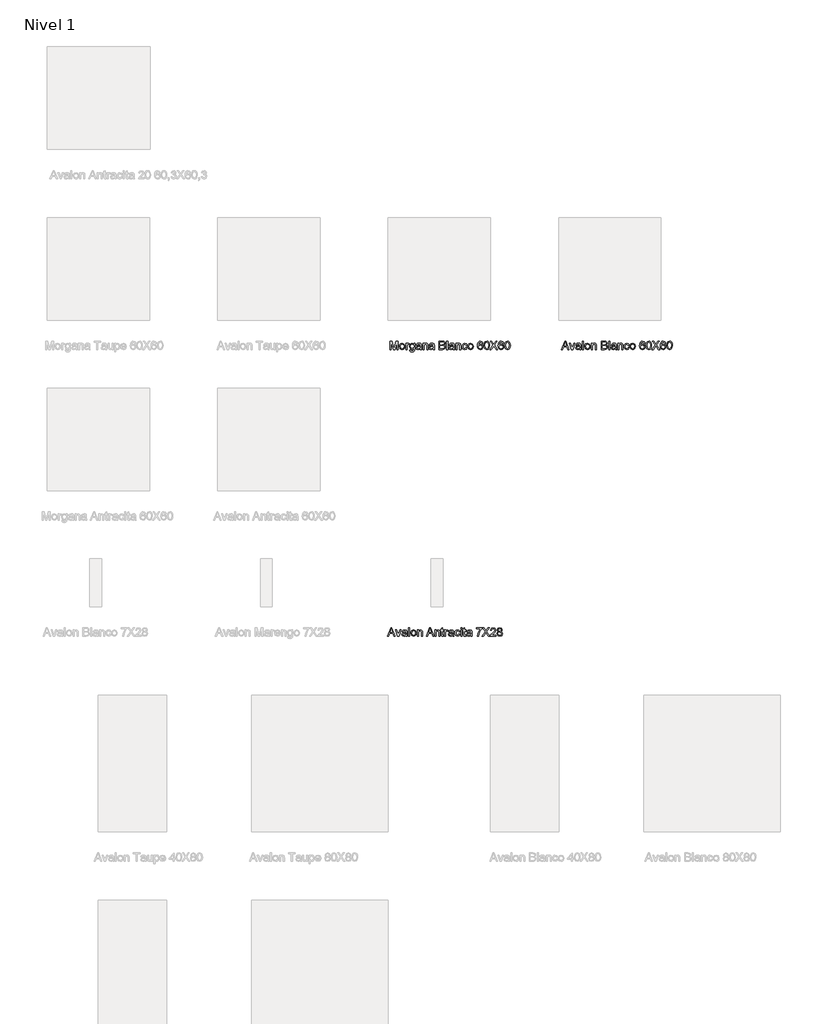
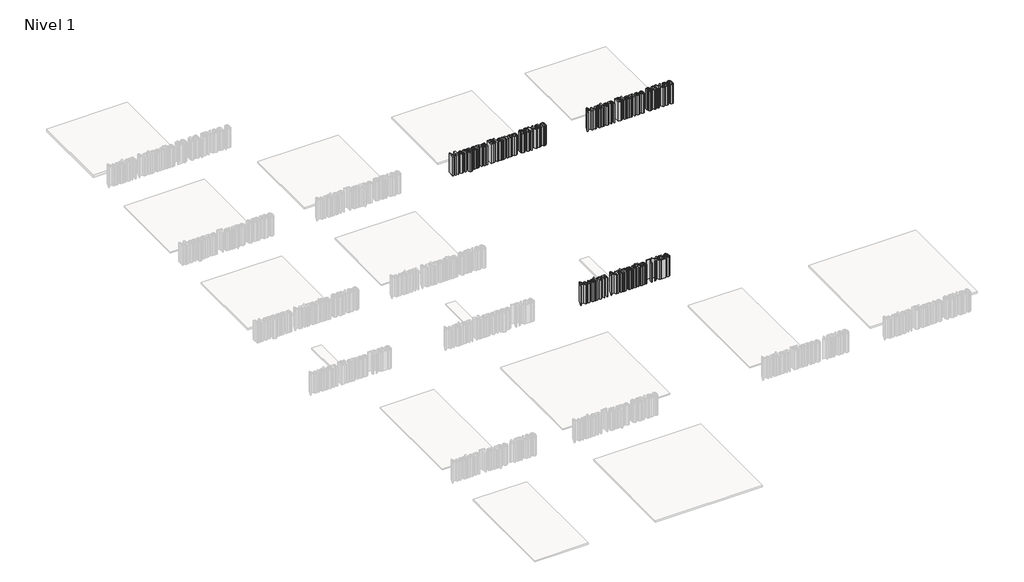
# One storey, part 11 of 11: 3 proxies.
"""IFC4 building model written with IfcOpenShell, lengths in millimetres."""

from ifc_helpers import new_model, si_unit, origin, origin_with_axes, place, context, project, spatial, polyline, outline, extrude, element, save

model = new_model("IFC4")

# Units and contexts
model_context = context("Model", 3, world=origin())
ifc_project = project(units=[si_unit("LENGTHUNIT", "METRE", prefix="MILLI")], contexts=[model_context])

# Site, building, storey
site = spatial("IfcSite", under=ifc_project)
building = spatial("IfcBuilding", under=site)
storey = spatial("IfcBuildingStorey", under=building, Name="Nivel 1", Elevation=0.0)

# Proxies
placement = place(None, origin())
element("IfcBuildingElementProxy", 1, Name="Texto de modelo 1", ObjectType="Texto de modelo 1", at=placement, inside=storey, context=model_context, shape_type="SweptSolid", body=[
    extrude(outline(polyline([(4011.5673496, -1172.9229512), (4011.5673496, -1123.692182), (4022.156292, -1123.692182), (4032.2284073, -1158.3917012), (4034.2596573, -1165.6392974), (4036.4591766, -1157.7907397), (4046.3630227, -1123.692182), (4056.951965, -1123.692182), (4056.951965, -1172.9229512), (4050.7981189, -1172.9229512), (4050.7981189, -1129.8460282), (4038.4303304, -1172.9229512), (4030.0889843, -1172.9229512), (4017.7211958, -1129.8460282), (4017.7211958, -1172.9229512), (4011.5673496, -1172.9229512)])), origin_with_axes(), (0.0, 0.0, 1.0), 150.0),
    extrude(outline(polyline([(4065.4135035, -1154.8460282), (4066.7446333, -1146.1290811), (4070.7380227, -1140.0022782), (4081.5793689, -1135.9998743), (4093.2079746, -1140.8736724), (4097.7211958, -1154.3412205), (4095.7260035, -1165.2907397), (4089.9147054, -1171.4866532), (4081.5793689, -1173.692182), (4069.8786477, -1168.8364128), (4065.4135035, -1154.8460282)]), holes=[polyline([(4071.5673496, -1154.8340089), (4074.4159073, -1164.3712686), (4081.5793689, -1167.5383359), (4088.718792, -1164.3532397), (4091.5673496, -1154.6417012), (4088.7007631, -1145.3207878), (4081.5793689, -1142.1537205), (4074.4159073, -1145.3087686), (4071.5673496, -1154.8340089)])]), origin_with_axes(), (0.0, 0.0, 1.0), 150.0),
    extrude(outline(polyline([(4104.6442727, -1172.9229512), (4104.6442727, -1136.7691051), (4110.0288881, -1136.7691051), (4110.0288881, -1142.1176628), (4113.8510035, -1137.1897782), (4117.6971573, -1135.9998743), (4123.875042, -1137.8989128), (4121.8197535, -1143.4157397), (4117.4928304, -1142.1537205), (4114.0132631, -1143.3676628), (4111.795715, -1146.7330474), (4110.7981189, -1153.9205474), (4110.7981189, -1172.9229512), (4104.6442727, -1172.9229512)])), origin_with_axes(), (0.0, 0.0, 1.0), 150.0),
    extrude(outline(polyline([(4126.1827343, -1175.9998743), (4132.3365804, -1176.7691051), (4134.3317727, -1180.0142974), (4140.3053304, -1181.3844897), (4146.6034073, -1179.8340089), (4149.608215, -1175.4830474), (4150.0288881, -1168.3075666), (4140.4135035, -1172.9229512), (4129.3377823, -1167.5503551), (4125.4135035, -1154.6657397), (4127.1743208, -1145.1284801), (4132.2704746, -1138.379682), (4140.1130227, -1135.9998743), (4150.0288881, -1141.3844897), (4150.0288881, -1136.7691051), (4156.1827343, -1136.7691051), (4156.1827343, -1167.9830474), (4154.500042, -1179.9361724), (4149.1695131, -1185.4950666), (4140.1851381, -1187.5383359), (4129.9507631, -1184.6597301), (4126.1827343, -1175.9998743)]), holes=[polyline([(4131.5673496, -1154.2450666), (4134.1935516, -1163.770307), (4140.7860996, -1166.7691051), (4147.3666285, -1163.7883359), (4150.0288881, -1154.4253551), (4147.2885035, -1145.2486724), (4140.6899458, -1142.1537205), (4134.2296093, -1145.2005955), (4131.5673496, -1154.2450666)])]), origin_with_axes(), (0.0, 0.0, 1.0), 150.0),
    extrude(outline(polyline([(4188.4904266, -1168.3075666), (4182.5228785, -1172.4782397), (4175.9303304, -1173.692182), (4166.9940323, -1170.7715089), (4163.875042, -1163.3075666), (4165.0529266, -1158.4397782), (4168.1478785, -1154.9061243), (4172.4567727, -1152.8868936), (4177.781292, -1151.9614128), (4188.4543689, -1149.8460282), (4186.795715, -1143.9325666), (4179.9928304, -1142.1537205), (4173.7668689, -1143.3376147), (4170.7981189, -1147.5383359), (4164.6442727, -1146.7691051), (4167.3065323, -1140.7594897), (4172.6671093, -1137.2378551), (4180.7860996, -1135.9998743), (4188.2440323, -1137.0936243), (4192.4567727, -1139.8400186), (4194.343792, -1144.0167012), (4194.6442727, -1149.4013166), (4194.6442727, -1157.0575666), (4194.9567727, -1167.7486724), (4196.1827343, -1172.9229512), (4190.0288881, -1172.9229512), (4188.4904266, -1168.3075666)]), holes=[polyline([(4188.4904266, -1155.9998743), (4178.562542, -1157.8868936), (4173.2680708, -1158.8844897), (4170.8702343, -1160.5070859), (4170.0288881, -1162.8748743), (4171.8618208, -1166.2042012), (4177.2404266, -1167.5383359), (4183.4663881, -1166.0659801), (4187.4808112, -1162.5022782), (4188.4543689, -1157.7426628), (4188.4904266, -1155.9998743)])]), origin_with_axes(), (0.0, 0.0, 1.0), 150.0),
    extrude(outline(polyline([(4203.1058112, -1172.9229512), (4203.1058112, -1136.7691051), (4209.2596573, -1136.7691051), (4209.2596573, -1141.817182), (4213.9651862, -1137.4542012), (4220.389465, -1135.9998743), (4226.2007631, -1137.1717493), (4230.1671093, -1140.2486724), (4232.0120612, -1144.7739128), (4232.3365804, -1150.723432), (4232.3365804, -1172.9229512), (4226.1827343, -1172.9229512), (4226.1827343, -1151.5527589), (4225.4735996, -1146.1080474), (4222.96759, -1143.2294416), (4218.7428304, -1142.1537205), (4212.0661477, -1144.5695859), (4209.2596573, -1153.7402589), (4209.2596573, -1172.9229512), (4203.1058112, -1172.9229512)])), origin_with_axes(), (0.0, 0.0, 1.0), 150.0),
    extrude(outline(polyline([(4263.875042, -1168.3075666), (4257.9074939, -1172.4782397), (4251.3149458, -1173.692182), (4242.3786477, -1170.7715089), (4239.2596573, -1163.3075666), (4240.437542, -1158.4397782), (4243.5324939, -1154.9061243), (4247.8413881, -1152.8868936), (4253.1659073, -1151.9614128), (4263.8389843, -1149.8460282), (4262.1803304, -1143.9325666), (4255.3774458, -1142.1537205), (4249.1514843, -1143.3376147), (4246.1827343, -1147.5383359), (4240.0288881, -1146.7691051), (4242.6911477, -1140.7594897), (4248.0517246, -1137.2378551), (4256.170715, -1135.9998743), (4263.6286477, -1137.0936243), (4267.8413881, -1139.8400186), (4269.7284073, -1144.0167012), (4270.0288881, -1149.4013166), (4270.0288881, -1157.0575666), (4270.3413881, -1167.7486724), (4271.5673496, -1172.9229512), (4265.4135035, -1172.9229512), (4263.875042, -1168.3075666)]), holes=[polyline([(4263.875042, -1155.9998743), (4253.9471573, -1157.8868936), (4248.6526862, -1158.8844897), (4246.2548496, -1160.5070859), (4245.4135035, -1162.8748743), (4247.2464362, -1166.2042012), (4252.625042, -1167.5383359), (4258.8510035, -1166.0659801), (4262.8654266, -1162.5022782), (4263.8389843, -1157.7426628), (4263.875042, -1155.9998743)])]), origin_with_axes(), (0.0, 0.0, 1.0), 150.0),
    extrude(outline(polyline([(4298.4904266, -1172.9229512), (4298.4904266, -1123.692182), (4317.2764843, -1123.692182), (4326.4772054, -1125.1404993), (4331.9098977, -1129.5936243), (4333.875042, -1135.8917012), (4332.2223977, -1141.6429032), (4327.2284073, -1145.9998743), (4333.2921093, -1150.5912205), (4335.4135035, -1158.2474705), (4333.9651862, -1164.864057), (4330.3774458, -1169.5755955), (4325.0228785, -1172.0755955), (4317.1322535, -1172.9229512), (4298.4904266, -1172.9229512)]), holes=[polyline([(4304.6442727, -1143.692182), (4315.8822535, -1143.692182), (4322.4447535, -1143.1633359), (4326.3930708, -1140.8856916), (4327.7211958, -1136.8772782), (4326.483215, -1132.8628551), (4322.937542, -1130.489057), (4315.0288881, -1129.8460282), (4304.6442727, -1129.8460282), (4304.6442727, -1143.692182)]), polyline([(4304.6442727, -1166.7691051), (4317.264465, -1166.7691051), (4321.8317727, -1166.5287205), (4325.6959554, -1165.1885762), (4328.2560516, -1162.4542012), (4329.2596573, -1158.3075666), (4328.0817727, -1153.5239128), (4324.265667, -1150.6693455), (4316.6635035, -1149.8460282), (4304.6442727, -1149.8460282), (4304.6442727, -1166.7691051)])]), origin_with_axes(), (0.0, 0.0, 1.0), 150.0),
    extrude(outline(polyline([(4343.1058112, -1172.9229512), (4343.1058112, -1123.692182), (4349.2596573, -1123.692182), (4349.2596573, -1172.9229512), (4343.1058112, -1172.9229512)])), origin_with_axes(), (0.0, 0.0, 1.0), 150.0),
    extrude(outline(polyline([(4381.5673496, -1168.3075666), (4375.5998016, -1172.4782397), (4369.0072535, -1173.692182), (4360.0709554, -1170.7715089), (4356.951965, -1163.3075666), (4358.1298496, -1158.4397782), (4361.2248016, -1154.9061243), (4365.5336958, -1152.8868936), (4370.858215, -1151.9614128), (4381.531292, -1149.8460282), (4379.8726381, -1143.9325666), (4373.0697535, -1142.1537205), (4366.843792, -1143.3376147), (4363.875042, -1147.5383359), (4357.7211958, -1146.7691051), (4360.3834554, -1140.7594897), (4365.7440323, -1137.2378551), (4373.8630227, -1135.9998743), (4381.3209554, -1137.0936243), (4385.5336958, -1139.8400186), (4387.420715, -1144.0167012), (4387.7211958, -1149.4013166), (4387.7211958, -1157.0575666), (4388.0336958, -1167.7486724), (4389.2596573, -1172.9229512), (4383.1058112, -1172.9229512), (4381.5673496, -1168.3075666)]), holes=[polyline([(4381.5673496, -1155.9998743), (4371.639465, -1157.8868936), (4366.3449939, -1158.8844897), (4363.9471573, -1160.5070859), (4363.1058112, -1162.8748743), (4364.9387439, -1166.2042012), (4370.3173496, -1167.5383359), (4376.5433112, -1166.0659801), (4380.5577343, -1162.5022782), (4381.531292, -1157.7426628), (4381.5673496, -1155.9998743)])]), origin_with_axes(), (0.0, 0.0, 1.0), 150.0),
    extrude(outline(polyline([(4396.1827343, -1172.9229512), (4396.1827343, -1136.7691051), (4402.3365804, -1136.7691051), (4402.3365804, -1141.817182), (4407.0421093, -1137.4542012), (4413.4663881, -1135.9998743), (4419.2776862, -1137.1717493), (4423.2440323, -1140.2486724), (4425.0889843, -1144.7739128), (4425.4135035, -1150.723432), (4425.4135035, -1172.9229512), (4419.2596573, -1172.9229512), (4419.2596573, -1151.5527589), (4418.5505227, -1146.1080474), (4416.0445131, -1143.2294416), (4411.8197535, -1142.1537205), (4405.1430708, -1144.5695859), (4402.3365804, -1153.7402589), (4402.3365804, -1172.9229512), (4396.1827343, -1172.9229512)])), origin_with_axes(), (0.0, 0.0, 1.0), 150.0),
    extrude(outline(polyline([(4456.951965, -1159.8460282), (4463.1058112, -1160.6152589), (4458.1659073, -1170.2246339), (4448.406292, -1173.692182), (4436.7416285, -1168.8544416), (4432.3365804, -1154.9782397), (4434.21759, -1144.7558839), (4439.9507631, -1138.1873743), (4448.3221573, -1135.9998743), (4457.6791285, -1139.004682), (4462.3365804, -1147.5383359), (4456.1827343, -1148.3075666), (4453.328167, -1143.6981916), (4448.3702343, -1142.1537205), (4441.2368208, -1145.1945859), (4438.4904266, -1154.8099705), (4441.1767246, -1164.5154993), (4448.201965, -1167.5383359), (4454.0012439, -1165.6513166), (4456.951965, -1159.8460282)])), origin_with_axes(), (0.0, 0.0, 1.0), 150.0),
    extrude(outline(polyline([(4466.951965, -1154.8460282), (4468.2830948, -1146.1290811), (4472.2764843, -1140.0022782), (4483.1178304, -1135.9998743), (4494.7464362, -1140.8736724), (4499.2596573, -1154.3412205), (4497.264465, -1165.2907397), (4491.453167, -1171.4866532), (4483.1178304, -1173.692182), (4471.4171093, -1168.8364128), (4466.951965, -1154.8460282)]), holes=[polyline([(4473.1058112, -1154.8340089), (4475.9543689, -1164.3712686), (4483.1178304, -1167.5383359), (4490.2572535, -1164.3532397), (4493.1058112, -1154.6417012), (4490.2392246, -1145.3207878), (4483.1178304, -1142.1537205), (4475.9543689, -1145.3087686), (4473.1058112, -1154.8340089)])]), origin_with_axes(), (0.0, 0.0, 1.0), 150.0),
    extrude(outline(polyline([(4555.4135035, -1136.7691051), (4549.2596573, -1137.5383359), (4546.9279266, -1132.4061243), (4540.7620612, -1129.8460282), (4535.2091766, -1131.3364128), (4531.0084554, -1136.9313647), (4529.2596573, -1147.8989128), (4534.68634, -1142.989057), (4541.4110996, -1141.3844897), (4551.8678304, -1145.7715089), (4556.1827343, -1157.1056436), (4554.1514843, -1165.5972301), (4548.562542, -1171.6068455), (4540.4976381, -1173.692182), (4527.9555708, -1168.1633359), (4524.3182511, -1160.8436243), (4523.1058112, -1149.942182), (4524.451965, -1137.6855714), (4528.4904266, -1129.3051628), (4534.0042487, -1125.0954272), (4541.1466766, -1123.692182), (4550.8702343, -1127.1657397), (4555.4135035, -1136.7691051)]), holes=[polyline([(4529.2596573, -1157.0094897), (4530.6839362, -1162.3400186), (4534.4699939, -1166.2102109), (4540.0168689, -1167.5383359), (4547.2704746, -1164.785932), (4550.0288881, -1157.3099705), (4547.3065323, -1150.1525186), (4539.764465, -1147.5383359), (4532.3185516, -1150.1525186), (4529.2596573, -1157.0094897)])]), origin_with_axes(), (0.0, 0.0, 1.0), 150.0),
    extrude(outline(polyline([(4561.5673496, -1148.7042012), (4563.3762439, -1134.5395378), (4568.74884, -1126.3724705), (4577.7211958, -1123.692182), (4584.9086958, -1125.2787205), (4589.8726381, -1129.8520378), (4592.7572535, -1137.1356916), (4593.875042, -1148.7042012), (4592.0841766, -1162.8087686), (4586.7296093, -1170.9938647), (4577.7211958, -1173.692182), (4566.4711958, -1169.004682), (4562.7933112, -1160.6783599), (4561.5673496, -1148.7042012)]), holes=[polyline([(4567.7211958, -1148.692182), (4570.6058112, -1163.9746339), (4577.7211958, -1167.5383359), (4584.8365804, -1163.9626147), (4587.7211958, -1148.692182), (4584.9327343, -1133.5840089), (4577.6490804, -1129.8460282), (4570.701965, -1133.1392974), (4567.7211958, -1148.692182)])]), origin_with_axes(), (0.0, 0.0, 1.0), 150.0),
    extrude(outline(polyline([(4596.1827343, -1172.9229512), (4615.1610996, -1146.0960282), (4599.2596573, -1123.692182), (4606.639465, -1123.692182), (4615.593792, -1136.3003551), (4618.6106189, -1141.2162205), (4622.1442727, -1136.2162205), (4631.0024458, -1123.692182), (4638.4904266, -1123.692182), (4622.5889843, -1146.1681436), (4641.5673496, -1172.9229512), (4634.187542, -1172.9229512), (4621.5433112, -1155.0864128), (4618.9110996, -1151.3844897), (4616.014465, -1155.4469897), (4603.670715, -1172.9229512), (4596.1827343, -1172.9229512)])), origin_with_axes(), (0.0, 0.0, 1.0), 150.0),
    extrude(outline(polyline([(4676.951965, -1136.7691051), (4670.7981189, -1137.5383359), (4668.4663881, -1132.4061243), (4662.3005227, -1129.8460282), (4656.7476381, -1131.3364128), (4652.546917, -1136.9313647), (4650.7981189, -1147.8989128), (4656.2248016, -1142.989057), (4662.9495612, -1141.3844897), (4673.406292, -1145.7715089), (4677.7211958, -1157.1056436), (4675.6899458, -1165.5972301), (4670.1010035, -1171.6068455), (4662.0360996, -1173.692182), (4649.4940323, -1168.1633359), (4645.8567126, -1160.8436243), (4644.6442727, -1149.942182), (4645.9904266, -1137.6855714), (4650.0288881, -1129.3051628), (4655.5427102, -1125.0954272), (4662.6851381, -1123.692182), (4672.4086958, -1127.1657397), (4676.951965, -1136.7691051)]), holes=[polyline([(4650.7981189, -1157.0094897), (4652.2223977, -1162.3400186), (4656.0084554, -1166.2102109), (4661.5553304, -1167.5383359), (4668.8089362, -1164.785932), (4671.5673496, -1157.3099705), (4668.8449939, -1150.1525186), (4661.3029266, -1147.5383359), (4653.8570131, -1150.1525186), (4650.7981189, -1157.0094897)])]), origin_with_axes(), (0.0, 0.0, 1.0), 150.0),
    extrude(outline(polyline([(4683.1058112, -1148.7042012), (4684.9147054, -1134.5395378), (4690.2873016, -1126.3724705), (4699.2596573, -1123.692182), (4706.4471573, -1125.2787205), (4711.4110996, -1129.8520378), (4714.295715, -1137.1356916), (4715.4135035, -1148.7042012), (4713.6226381, -1162.8087686), (4708.2680708, -1170.9938647), (4699.2596573, -1173.692182), (4688.0096573, -1169.004682), (4684.3317727, -1160.6783599), (4683.1058112, -1148.7042012)]), holes=[polyline([(4689.2596573, -1148.692182), (4692.1442727, -1163.9746339), (4699.2596573, -1167.5383359), (4706.375042, -1163.9626147), (4709.2596573, -1148.692182), (4706.4711958, -1133.5840089), (4699.187542, -1129.8460282), (4692.2404266, -1133.1392974), (4689.2596573, -1148.692182)])]), origin_with_axes(), (0.0, 0.0, 1.0), 150.0),
])
element("IfcBuildingElementProxy", 2, Name="Texto de modelo 1", ObjectType="Texto de modelo 1", at=placement, inside=storey, context=model_context, shape_type="SweptSolid", body=[
    extrude(outline(polyline([(5015.8341766, -1172.9229512), (5035.4856189, -1123.692182), (5040.7260035, -1123.692182), (5060.3774458, -1172.9229512), (5053.875042, -1172.9229512), (5048.2380227, -1157.5383359), (5027.9615804, -1157.5383359), (5022.3365804, -1172.9229512), (5015.8341766, -1172.9229512)]), holes=[polyline([(5030.2211958, -1151.3844897), (5045.9904266, -1151.3844897), (5041.5553304, -1139.2811243), (5038.1058112, -1129.8460282), (5035.0409073, -1138.223432), (5030.2211958, -1151.3844897)])]), origin_with_axes(), (0.0, 0.0, 1.0), 150.0),
    extrude(outline(polyline([(5075.0529266, -1172.9229512), (5062.3365804, -1136.7691051), (5068.8510035, -1136.7691051), (5076.5553304, -1158.4277589), (5078.875042, -1165.7114128), (5081.1466766, -1158.8364128), (5088.8990804, -1136.7691051), (5095.4135035, -1136.7691051), (5082.8534073, -1172.9229512), (5075.0529266, -1172.9229512)])), origin_with_axes(), (0.0, 0.0, 1.0), 150.0),
    extrude(outline(polyline([(5123.875042, -1168.3075666), (5117.9074939, -1172.4782397), (5111.3149458, -1173.692182), (5102.3786477, -1170.7715089), (5099.2596573, -1163.3075666), (5100.437542, -1158.4397782), (5103.5324939, -1154.9061243), (5107.8413881, -1152.8868936), (5113.1659073, -1151.9614128), (5123.8389843, -1149.8460282), (5122.1803304, -1143.9325666), (5115.3774458, -1142.1537205), (5109.1514843, -1143.3376147), (5106.1827343, -1147.5383359), (5100.0288881, -1146.7691051), (5102.6911477, -1140.7594897), (5108.0517246, -1137.2378551), (5116.170715, -1135.9998743), (5123.6286477, -1137.0936243), (5127.8413881, -1139.8400186), (5129.7284073, -1144.0167012), (5130.0288881, -1149.4013166), (5130.0288881, -1157.0575666), (5130.3413881, -1167.7486724), (5131.5673496, -1172.9229512), (5125.4135035, -1172.9229512), (5123.875042, -1168.3075666)]), holes=[polyline([(5123.875042, -1155.9998743), (5113.9471573, -1157.8868936), (5108.6526862, -1158.8844897), (5106.2548496, -1160.5070859), (5105.4135035, -1162.8748743), (5107.2464362, -1166.2042012), (5112.625042, -1167.5383359), (5118.8510035, -1166.0659801), (5122.8654266, -1162.5022782), (5123.8389843, -1157.7426628), (5123.875042, -1155.9998743)])]), origin_with_axes(), (0.0, 0.0, 1.0), 150.0),
    extrude(outline(polyline([(5138.4904266, -1172.9229512), (5138.4904266, -1123.692182), (5144.6442727, -1123.692182), (5144.6442727, -1172.9229512), (5138.4904266, -1172.9229512)])), origin_with_axes(), (0.0, 0.0, 1.0), 150.0),
    extrude(outline(polyline([(5152.3365804, -1154.8460282), (5153.6677102, -1146.1290811), (5157.6610996, -1140.0022782), (5168.5024458, -1135.9998743), (5180.1310516, -1140.8736724), (5184.6442727, -1154.3412205), (5182.6490804, -1165.2907397), (5176.8377823, -1171.4866532), (5168.5024458, -1173.692182), (5156.8017246, -1168.8364128), (5152.3365804, -1154.8460282)]), holes=[polyline([(5158.4904266, -1154.8340089), (5161.3389843, -1164.3712686), (5168.5024458, -1167.5383359), (5175.6418689, -1164.3532397), (5178.4904266, -1154.6417012), (5175.62384, -1145.3207878), (5168.5024458, -1142.1537205), (5161.3389843, -1145.3087686), (5158.4904266, -1154.8340089)])]), origin_with_axes(), (0.0, 0.0, 1.0), 150.0),
    extrude(outline(polyline([(5191.5673496, -1172.9229512), (5191.5673496, -1136.7691051), (5197.7211958, -1136.7691051), (5197.7211958, -1141.817182), (5202.4267246, -1137.4542012), (5208.8510035, -1135.9998743), (5214.6623016, -1137.1717493), (5218.6286477, -1140.2486724), (5220.4735996, -1144.7739128), (5220.7981189, -1150.723432), (5220.7981189, -1172.9229512), (5214.6442727, -1172.9229512), (5214.6442727, -1151.5527589), (5213.9351381, -1146.1080474), (5211.4291285, -1143.2294416), (5207.2043689, -1142.1537205), (5200.5276862, -1144.5695859), (5197.7211958, -1153.7402589), (5197.7211958, -1172.9229512), (5191.5673496, -1172.9229512)])), origin_with_axes(), (0.0, 0.0, 1.0), 150.0),
    extrude(outline(polyline([(5249.2596573, -1172.9229512), (5249.2596573, -1123.692182), (5268.045715, -1123.692182), (5277.2464362, -1125.1404993), (5282.6791285, -1129.5936243), (5284.6442727, -1135.8917012), (5282.9916285, -1141.6429032), (5277.9976381, -1145.9998743), (5284.06134, -1150.5912205), (5286.1827343, -1158.2474705), (5284.734417, -1164.864057), (5281.1466766, -1169.5755955), (5275.7921093, -1172.0755955), (5267.9014843, -1172.9229512), (5249.2596573, -1172.9229512)]), holes=[polyline([(5255.4135035, -1143.692182), (5266.6514843, -1143.692182), (5273.2139843, -1143.1633359), (5277.1623016, -1140.8856916), (5278.4904266, -1136.8772782), (5277.2524458, -1132.8628551), (5273.7067727, -1130.489057), (5265.7981189, -1129.8460282), (5255.4135035, -1129.8460282), (5255.4135035, -1143.692182)]), polyline([(5255.4135035, -1166.7691051), (5268.0336958, -1166.7691051), (5272.6010035, -1166.5287205), (5276.4651862, -1165.1885762), (5279.0252823, -1162.4542012), (5280.0288881, -1158.3075666), (5278.8510035, -1153.5239128), (5275.0348977, -1150.6693455), (5267.4327343, -1149.8460282), (5255.4135035, -1149.8460282), (5255.4135035, -1166.7691051)])]), origin_with_axes(), (0.0, 0.0, 1.0), 150.0),
    extrude(outline(polyline([(5293.875042, -1172.9229512), (5293.875042, -1123.692182), (5300.0288881, -1123.692182), (5300.0288881, -1172.9229512), (5293.875042, -1172.9229512)])), origin_with_axes(), (0.0, 0.0, 1.0), 150.0),
    extrude(outline(polyline([(5332.3365804, -1168.3075666), (5326.3690323, -1172.4782397), (5319.7764843, -1173.692182), (5310.8401862, -1170.7715089), (5307.7211958, -1163.3075666), (5308.8990804, -1158.4397782), (5311.9940323, -1154.9061243), (5316.3029266, -1152.8868936), (5321.6274458, -1151.9614128), (5332.3005227, -1149.8460282), (5330.6418689, -1143.9325666), (5323.8389843, -1142.1537205), (5317.6130227, -1143.3376147), (5314.6442727, -1147.5383359), (5308.4904266, -1146.7691051), (5311.1526862, -1140.7594897), (5316.5132631, -1137.2378551), (5324.6322535, -1135.9998743), (5332.0901862, -1137.0936243), (5336.3029266, -1139.8400186), (5338.1899458, -1144.0167012), (5338.4904266, -1149.4013166), (5338.4904266, -1157.0575666), (5338.8029266, -1167.7486724), (5340.0288881, -1172.9229512), (5333.875042, -1172.9229512), (5332.3365804, -1168.3075666)]), holes=[polyline([(5332.3365804, -1155.9998743), (5322.4086958, -1157.8868936), (5317.1142246, -1158.8844897), (5314.7163881, -1160.5070859), (5313.875042, -1162.8748743), (5315.7079746, -1166.2042012), (5321.0865804, -1167.5383359), (5327.312542, -1166.0659801), (5331.326965, -1162.5022782), (5332.3005227, -1157.7426628), (5332.3365804, -1155.9998743)])]), origin_with_axes(), (0.0, 0.0, 1.0), 150.0),
    extrude(outline(polyline([(5346.951965, -1172.9229512), (5346.951965, -1136.7691051), (5353.1058112, -1136.7691051), (5353.1058112, -1141.817182), (5357.81134, -1137.4542012), (5364.2356189, -1135.9998743), (5370.046917, -1137.1717493), (5374.0132631, -1140.2486724), (5375.858215, -1144.7739128), (5376.1827343, -1150.723432), (5376.1827343, -1172.9229512), (5370.0288881, -1172.9229512), (5370.0288881, -1151.5527589), (5369.3197535, -1146.1080474), (5366.8137439, -1143.2294416), (5362.5889843, -1142.1537205), (5355.9123016, -1144.5695859), (5353.1058112, -1153.7402589), (5353.1058112, -1172.9229512), (5346.951965, -1172.9229512)])), origin_with_axes(), (0.0, 0.0, 1.0), 150.0),
    extrude(outline(polyline([(5407.7211958, -1159.8460282), (5413.875042, -1160.6152589), (5408.9351381, -1170.2246339), (5399.1755227, -1173.692182), (5387.5108593, -1168.8544416), (5383.1058112, -1154.9782397), (5384.9868208, -1144.7558839), (5390.7199939, -1138.1873743), (5399.0913881, -1135.9998743), (5408.4483593, -1139.004682), (5413.1058112, -1147.5383359), (5406.951965, -1148.3075666), (5404.0973977, -1143.6981916), (5399.139465, -1142.1537205), (5392.0060516, -1145.1945859), (5389.2596573, -1154.8099705), (5391.9459554, -1164.5154993), (5398.9711958, -1167.5383359), (5404.7704746, -1165.6513166), (5407.7211958, -1159.8460282)])), origin_with_axes(), (0.0, 0.0, 1.0), 150.0),
    extrude(outline(polyline([(5417.7211958, -1154.8460282), (5419.0523256, -1146.1290811), (5423.045715, -1140.0022782), (5433.8870612, -1135.9998743), (5445.515667, -1140.8736724), (5450.0288881, -1154.3412205), (5448.0336958, -1165.2907397), (5442.2223977, -1171.4866532), (5433.8870612, -1173.692182), (5422.18634, -1168.8364128), (5417.7211958, -1154.8460282)]), holes=[polyline([(5423.875042, -1154.8340089), (5426.7235996, -1164.3712686), (5433.8870612, -1167.5383359), (5441.0264843, -1164.3532397), (5443.875042, -1154.6417012), (5441.0084554, -1145.3207878), (5433.8870612, -1142.1537205), (5426.7235996, -1145.3087686), (5423.875042, -1154.8340089)])]), origin_with_axes(), (0.0, 0.0, 1.0), 150.0),
    extrude(outline(polyline([(5506.1827343, -1136.7691051), (5500.0288881, -1137.5383359), (5497.6971573, -1132.4061243), (5491.531292, -1129.8460282), (5485.9784073, -1131.3364128), (5481.7776862, -1136.9313647), (5480.0288881, -1147.8989128), (5485.4555708, -1142.989057), (5492.1803304, -1141.3844897), (5502.6370612, -1145.7715089), (5506.951965, -1157.1056436), (5504.920715, -1165.5972301), (5499.3317727, -1171.6068455), (5491.2668689, -1173.692182), (5478.7248016, -1168.1633359), (5475.0874819, -1160.8436243), (5473.875042, -1149.942182), (5475.2211958, -1137.6855714), (5479.2596573, -1129.3051628), (5484.7734795, -1125.0954272), (5491.9159073, -1123.692182), (5501.639465, -1127.1657397), (5506.1827343, -1136.7691051)]), holes=[polyline([(5480.0288881, -1157.0094897), (5481.453167, -1162.3400186), (5485.2392246, -1166.2102109), (5490.7860996, -1167.5383359), (5498.0397054, -1164.785932), (5500.7981189, -1157.3099705), (5498.0757631, -1150.1525186), (5490.5336958, -1147.5383359), (5483.0877823, -1150.1525186), (5480.0288881, -1157.0094897)])]), origin_with_axes(), (0.0, 0.0, 1.0), 150.0),
    extrude(outline(polyline([(5512.3365804, -1148.7042012), (5514.1454746, -1134.5395378), (5519.5180708, -1126.3724705), (5528.4904266, -1123.692182), (5535.6779266, -1125.2787205), (5540.6418689, -1129.8520378), (5543.5264843, -1137.1356916), (5544.6442727, -1148.7042012), (5542.8534073, -1162.8087686), (5537.49884, -1170.9938647), (5528.4904266, -1173.692182), (5517.2404266, -1169.004682), (5513.562542, -1160.6783599), (5512.3365804, -1148.7042012)]), holes=[polyline([(5518.4904266, -1148.692182), (5521.375042, -1163.9746339), (5528.4904266, -1167.5383359), (5535.6058112, -1163.9626147), (5538.4904266, -1148.692182), (5535.701965, -1133.5840089), (5528.4183112, -1129.8460282), (5521.4711958, -1133.1392974), (5518.4904266, -1148.692182)])]), origin_with_axes(), (0.0, 0.0, 1.0), 150.0),
    extrude(outline(polyline([(5546.951965, -1172.9229512), (5565.9303304, -1146.0960282), (5550.0288881, -1123.692182), (5557.4086958, -1123.692182), (5566.3630227, -1136.3003551), (5569.3798496, -1141.2162205), (5572.9135035, -1136.2162205), (5581.7716766, -1123.692182), (5589.2596573, -1123.692182), (5573.358215, -1146.1681436), (5592.3365804, -1172.9229512), (5584.9567727, -1172.9229512), (5572.312542, -1155.0864128), (5569.6803304, -1151.3844897), (5566.7836958, -1155.4469897), (5554.4399458, -1172.9229512), (5546.951965, -1172.9229512)])), origin_with_axes(), (0.0, 0.0, 1.0), 150.0),
    extrude(outline(polyline([(5627.7211958, -1136.7691051), (5621.5673496, -1137.5383359), (5619.2356189, -1132.4061243), (5613.0697535, -1129.8460282), (5607.5168689, -1131.3364128), (5603.3161477, -1136.9313647), (5601.5673496, -1147.8989128), (5606.9940323, -1142.989057), (5613.718792, -1141.3844897), (5624.1755227, -1145.7715089), (5628.4904266, -1157.1056436), (5626.4591766, -1165.5972301), (5620.8702343, -1171.6068455), (5612.8053304, -1173.692182), (5600.2632631, -1168.1633359), (5596.6259434, -1160.8436243), (5595.4135035, -1149.942182), (5596.7596573, -1137.6855714), (5600.7981189, -1129.3051628), (5606.311941, -1125.0954272), (5613.4543689, -1123.692182), (5623.1779266, -1127.1657397), (5627.7211958, -1136.7691051)]), holes=[polyline([(5601.5673496, -1157.0094897), (5602.9916285, -1162.3400186), (5606.7776862, -1166.2102109), (5612.3245612, -1167.5383359), (5619.578167, -1164.785932), (5622.3365804, -1157.3099705), (5619.6142246, -1150.1525186), (5612.0721573, -1147.5383359), (5604.6262439, -1150.1525186), (5601.5673496, -1157.0094897)])]), origin_with_axes(), (0.0, 0.0, 1.0), 150.0),
    extrude(outline(polyline([(5633.875042, -1148.7042012), (5635.6839362, -1134.5395378), (5641.0565323, -1126.3724705), (5650.0288881, -1123.692182), (5657.2163881, -1125.2787205), (5662.1803304, -1129.8520378), (5665.0649458, -1137.1356916), (5666.1827343, -1148.7042012), (5664.3918689, -1162.8087686), (5659.0373016, -1170.9938647), (5650.0288881, -1173.692182), (5638.7788881, -1169.004682), (5635.1010035, -1160.6783599), (5633.875042, -1148.7042012)]), holes=[polyline([(5640.0288881, -1148.692182), (5642.9135035, -1163.9746339), (5650.0288881, -1167.5383359), (5657.1442727, -1163.9626147), (5660.0288881, -1148.692182), (5657.2404266, -1133.5840089), (5649.9567727, -1129.8460282), (5643.0096573, -1133.1392974), (5640.0288881, -1148.692182)])]), origin_with_axes(), (0.0, 0.0, 1.0), 150.0),
])
element("IfcBuildingElementProxy", 3, Name="Texto de modelo 1", ObjectType="Texto de modelo 1", at=placement, inside=storey, context=model_context, shape_type="SweptSolid", body=[
    extrude(outline(polyline([(3995.8341766, -2852.9229512), (4015.4856189, -2803.692182), (4020.7260035, -2803.692182), (4040.3774458, -2852.9229512), (4033.875042, -2852.9229512), (4028.2380227, -2837.5383359), (4007.9615804, -2837.5383359), (4002.3365804, -2852.9229512), (3995.8341766, -2852.9229512)]), holes=[polyline([(4010.2211958, -2831.3844897), (4025.9904266, -2831.3844897), (4021.5553304, -2819.2811243), (4018.1058112, -2809.8460282), (4015.0409073, -2818.223432), (4010.2211958, -2831.3844897)])]), origin_with_axes(), (0.0, 0.0, 1.0), 150.0),
    extrude(outline(polyline([(4055.0529266, -2852.9229512), (4042.3365804, -2816.7691051), (4048.8510035, -2816.7691051), (4056.5553304, -2838.4277589), (4058.875042, -2845.7114128), (4061.1466766, -2838.8364128), (4068.8990804, -2816.7691051), (4075.4135035, -2816.7691051), (4062.8534073, -2852.9229512), (4055.0529266, -2852.9229512)])), origin_with_axes(), (0.0, 0.0, 1.0), 150.0),
    extrude(outline(polyline([(4103.875042, -2848.3075666), (4097.9074939, -2852.4782397), (4091.3149458, -2853.692182), (4082.3786477, -2850.7715089), (4079.2596573, -2843.3075666), (4080.437542, -2838.4397782), (4083.5324939, -2834.9061243), (4087.8413881, -2832.8868936), (4093.1659073, -2831.9614128), (4103.8389843, -2829.8460282), (4102.1803304, -2823.9325666), (4095.3774458, -2822.1537205), (4089.1514843, -2823.3376147), (4086.1827343, -2827.5383359), (4080.0288881, -2826.7691051), (4082.6911477, -2820.7594897), (4088.0517246, -2817.2378551), (4096.170715, -2815.9998743), (4103.6286477, -2817.0936243), (4107.8413881, -2819.8400186), (4109.7284073, -2824.0167012), (4110.0288881, -2829.4013166), (4110.0288881, -2837.0575666), (4110.3413881, -2847.7486724), (4111.5673496, -2852.9229512), (4105.4135035, -2852.9229512), (4103.875042, -2848.3075666)]), holes=[polyline([(4103.875042, -2835.9998743), (4093.9471573, -2837.8868936), (4088.6526862, -2838.8844897), (4086.2548496, -2840.5070859), (4085.4135035, -2842.8748743), (4087.2464362, -2846.2042012), (4092.625042, -2847.5383359), (4098.8510035, -2846.0659801), (4102.8654266, -2842.5022782), (4103.8389843, -2837.7426628), (4103.875042, -2835.9998743)])]), origin_with_axes(), (0.0, 0.0, 1.0), 150.0),
    extrude(outline(polyline([(4118.4904266, -2852.9229512), (4118.4904266, -2803.692182), (4124.6442727, -2803.692182), (4124.6442727, -2852.9229512), (4118.4904266, -2852.9229512)])), origin_with_axes(), (0.0, 0.0, 1.0), 150.0),
    extrude(outline(polyline([(4132.3365804, -2834.8460282), (4133.6677102, -2826.1290811), (4137.6610996, -2820.0022782), (4148.5024458, -2815.9998743), (4160.1310516, -2820.8736724), (4164.6442727, -2834.3412205), (4162.6490804, -2845.2907397), (4156.8377823, -2851.4866532), (4148.5024458, -2853.692182), (4136.8017246, -2848.8364128), (4132.3365804, -2834.8460282)]), holes=[polyline([(4138.4904266, -2834.8340089), (4141.3389843, -2844.3712686), (4148.5024458, -2847.5383359), (4155.6418689, -2844.3532397), (4158.4904266, -2834.6417012), (4155.62384, -2825.3207878), (4148.5024458, -2822.1537205), (4141.3389843, -2825.3087686), (4138.4904266, -2834.8340089)])]), origin_with_axes(), (0.0, 0.0, 1.0), 150.0),
    extrude(outline(polyline([(4171.5673496, -2852.9229512), (4171.5673496, -2816.7691051), (4177.7211958, -2816.7691051), (4177.7211958, -2821.817182), (4182.4267246, -2817.4542012), (4188.8510035, -2815.9998743), (4194.6623016, -2817.1717493), (4198.6286477, -2820.2486724), (4200.4735996, -2824.7739128), (4200.7981189, -2830.723432), (4200.7981189, -2852.9229512), (4194.6442727, -2852.9229512), (4194.6442727, -2831.5527589), (4193.9351381, -2826.1080474), (4191.4291285, -2823.2294416), (4187.2043689, -2822.1537205), (4180.5276862, -2824.5695859), (4177.7211958, -2833.7402589), (4177.7211958, -2852.9229512), (4171.5673496, -2852.9229512)])), origin_with_axes(), (0.0, 0.0, 1.0), 150.0),
    extrude(outline(polyline([(4223.5264843, -2852.9229512), (4243.1779266, -2803.692182), (4248.4183112, -2803.692182), (4268.0697535, -2852.9229512), (4261.5673496, -2852.9229512), (4255.9303304, -2837.5383359), (4235.6538881, -2837.5383359), (4230.0288881, -2852.9229512), (4223.5264843, -2852.9229512)]), holes=[polyline([(4237.9135035, -2831.3844897), (4253.6827343, -2831.3844897), (4249.2476381, -2819.2811243), (4245.7981189, -2809.8460282), (4242.733215, -2818.223432), (4237.9135035, -2831.3844897)])]), origin_with_axes(), (0.0, 0.0, 1.0), 150.0),
    extrude(outline(polyline([(4273.875042, -2852.9229512), (4273.875042, -2816.7691051), (4280.0288881, -2816.7691051), (4280.0288881, -2821.817182), (4284.734417, -2817.4542012), (4291.1586958, -2815.9998743), (4296.9699939, -2817.1717493), (4300.93634, -2820.2486724), (4302.781292, -2824.7739128), (4303.1058112, -2830.723432), (4303.1058112, -2852.9229512), (4296.951965, -2852.9229512), (4296.951965, -2831.5527589), (4296.2428304, -2826.1080474), (4293.7368208, -2823.2294416), (4289.5120612, -2822.1537205), (4282.8353785, -2824.5695859), (4280.0288881, -2833.7402589), (4280.0288881, -2852.9229512), (4273.875042, -2852.9229512)])), origin_with_axes(), (0.0, 0.0, 1.0), 150.0),
    extrude(outline(polyline([(4324.6442727, -2847.7907397), (4325.4135035, -2853.1032397), (4320.8101381, -2853.692182), (4315.6538881, -2852.6705474), (4313.0817727, -2849.9902589), (4312.3365804, -2843.0070859), (4312.3365804, -2822.9229512), (4307.7211958, -2822.9229512), (4307.7211958, -2816.7691051), (4312.3365804, -2816.7691051), (4312.3365804, -2807.9830474), (4318.4904266, -2804.3652589), (4318.4904266, -2816.7691051), (4324.6442727, -2816.7691051), (4324.6442727, -2822.9229512), (4318.4904266, -2822.9229512), (4318.4904266, -2842.8267974), (4318.8149458, -2845.9998743), (4321.9639843, -2847.5383359), (4324.6442727, -2847.7907397)])), origin_with_axes(), (0.0, 0.0, 1.0), 150.0),
    extrude(outline(polyline([(4330.7981189, -2852.9229512), (4330.7981189, -2816.7691051), (4336.1827343, -2816.7691051), (4336.1827343, -2822.1176628), (4340.0048496, -2817.1897782), (4343.8510035, -2815.9998743), (4350.0288881, -2817.8989128), (4347.9735996, -2823.4157397), (4343.6466766, -2822.1537205), (4340.1671093, -2823.3676628), (4337.9495612, -2826.7330474), (4336.951965, -2833.9205474), (4336.951965, -2852.9229512), (4330.7981189, -2852.9229512)])), origin_with_axes(), (0.0, 0.0, 1.0), 150.0),
    extrude(outline(polyline([(4376.951965, -2848.3075666), (4370.984417, -2852.4782397), (4364.3918689, -2853.692182), (4355.4555708, -2850.7715089), (4352.3365804, -2843.3075666), (4353.514465, -2838.4397782), (4356.609417, -2834.9061243), (4360.9183112, -2832.8868936), (4366.2428304, -2831.9614128), (4376.9159073, -2829.8460282), (4375.2572535, -2823.9325666), (4368.4543689, -2822.1537205), (4362.2284073, -2823.3376147), (4359.2596573, -2827.5383359), (4353.1058112, -2826.7691051), (4355.7680708, -2820.7594897), (4361.1286477, -2817.2378551), (4369.2476381, -2815.9998743), (4376.7055708, -2817.0936243), (4380.9183112, -2819.8400186), (4382.8053304, -2824.0167012), (4383.1058112, -2829.4013166), (4383.1058112, -2837.0575666), (4383.4183112, -2847.7486724), (4384.6442727, -2852.9229512), (4378.4904266, -2852.9229512), (4376.951965, -2848.3075666)]), holes=[polyline([(4376.951965, -2835.9998743), (4367.0240804, -2837.8868936), (4361.7296093, -2838.8844897), (4359.3317727, -2840.5070859), (4358.4904266, -2842.8748743), (4360.3233593, -2846.2042012), (4365.701965, -2847.5383359), (4371.9279266, -2846.0659801), (4375.9423496, -2842.5022782), (4376.9159073, -2837.7426628), (4376.951965, -2835.9998743)])]), origin_with_axes(), (0.0, 0.0, 1.0), 150.0),
    extrude(outline(polyline([(4414.6442727, -2839.8460282), (4420.7981189, -2840.6152589), (4415.858215, -2850.2246339), (4406.0985996, -2853.692182), (4394.4339362, -2848.8544416), (4390.0288881, -2834.9782397), (4391.9098977, -2824.7558839), (4397.6430708, -2818.1873743), (4406.014465, -2815.9998743), (4415.3714362, -2819.004682), (4420.0288881, -2827.5383359), (4413.875042, -2828.3075666), (4411.0204746, -2823.6981916), (4406.062542, -2822.1537205), (4398.9291285, -2825.1945859), (4396.1827343, -2834.8099705), (4398.8690323, -2844.5154993), (4405.8942727, -2847.5383359), (4411.6935516, -2845.6513166), (4414.6442727, -2839.8460282)])), origin_with_axes(), (0.0, 0.0, 1.0), 150.0),
    extrude(outline(polyline([(4426.1827343, -2852.9229512), (4426.1827343, -2816.7691051), (4432.3365804, -2816.7691051), (4432.3365804, -2852.9229512), (4426.1827343, -2852.9229512)])), origin_with_axes(), (0.0, 0.0, 1.0), 150.0),
    extrude(outline(polyline([(4426.1827343, -2809.8460282), (4426.1827343, -2803.692182), (4432.3365804, -2803.692182), (4432.3365804, -2809.8460282), (4426.1827343, -2809.8460282)])), origin_with_axes(), (0.0, 0.0, 1.0), 150.0),
    extrude(outline(polyline([(4454.6442727, -2847.7907397), (4455.4135035, -2853.1032397), (4450.8101381, -2853.692182), (4445.6538881, -2852.6705474), (4443.0817727, -2849.9902589), (4442.3365804, -2843.0070859), (4442.3365804, -2822.9229512), (4437.7211958, -2822.9229512), (4437.7211958, -2816.7691051), (4442.3365804, -2816.7691051), (4442.3365804, -2807.9830474), (4448.4904266, -2804.3652589), (4448.4904266, -2816.7691051), (4454.6442727, -2816.7691051), (4454.6442727, -2822.9229512), (4448.4904266, -2822.9229512), (4448.4904266, -2842.8267974), (4448.8149458, -2845.9998743), (4451.9639843, -2847.5383359), (4454.6442727, -2847.7907397)])), origin_with_axes(), (0.0, 0.0, 1.0), 150.0),
    extrude(outline(polyline([(4483.875042, -2848.3075666), (4477.9074939, -2852.4782397), (4471.3149458, -2853.692182), (4462.3786477, -2850.7715089), (4459.2596573, -2843.3075666), (4460.437542, -2838.4397782), (4463.5324939, -2834.9061243), (4467.8413881, -2832.8868936), (4473.1659073, -2831.9614128), (4483.8389843, -2829.8460282), (4482.1803304, -2823.9325666), (4475.3774458, -2822.1537205), (4469.1514843, -2823.3376147), (4466.1827343, -2827.5383359), (4460.0288881, -2826.7691051), (4462.6911477, -2820.7594897), (4468.0517246, -2817.2378551), (4476.170715, -2815.9998743), (4483.6286477, -2817.0936243), (4487.8413881, -2819.8400186), (4489.7284073, -2824.0167012), (4490.0288881, -2829.4013166), (4490.0288881, -2837.0575666), (4490.3413881, -2847.7486724), (4491.5673496, -2852.9229512), (4485.4135035, -2852.9229512), (4483.875042, -2848.3075666)]), holes=[polyline([(4483.875042, -2835.9998743), (4473.9471573, -2837.8868936), (4468.6526862, -2838.8844897), (4466.2548496, -2840.5070859), (4465.4135035, -2842.8748743), (4467.2464362, -2846.2042012), (4472.625042, -2847.5383359), (4478.8510035, -2846.0659801), (4482.8654266, -2842.5022782), (4483.8389843, -2837.7426628), (4483.875042, -2835.9998743)])]), origin_with_axes(), (0.0, 0.0, 1.0), 150.0),
    extrude(outline(polyline([(4516.1827343, -2810.6152589), (4516.1827343, -2804.4614128), (4548.4904266, -2804.4614128), (4548.4904266, -2809.4373743), (4539.3257631, -2822.676557), (4532.312542, -2839.5455474), (4530.0288881, -2852.9229512), (4523.875042, -2852.9229512), (4526.3209554, -2839.0407397), (4533.0336958, -2823.3496339), (4542.3365804, -2810.6152589), (4516.1827343, -2810.6152589)])), origin_with_axes(), (0.0, 0.0, 1.0), 150.0),
    extrude(outline(polyline([(4550.7981189, -2852.9229512), (4569.7764843, -2826.0960282), (4553.875042, -2803.692182), (4561.2548496, -2803.692182), (4570.2091766, -2816.3003551), (4573.2260035, -2821.2162205), (4576.7596573, -2816.2162205), (4585.6178304, -2803.692182), (4593.1058112, -2803.692182), (4577.2043689, -2826.1681436), (4596.1827343, -2852.9229512), (4588.8029266, -2852.9229512), (4576.1586958, -2835.0864128), (4573.5264843, -2831.3844897), (4570.6298496, -2835.4469897), (4558.2860996, -2852.9229512), (4550.7981189, -2852.9229512)])), origin_with_axes(), (0.0, 0.0, 1.0), 150.0),
    extrude(outline(polyline([(4631.5673496, -2846.7691051), (4631.5673496, -2852.9229512), (4599.2596573, -2852.9229512), (4599.920715, -2848.6801628), (4603.6586958, -2842.1477109), (4611.3630227, -2835.0142974), (4621.9880227, -2824.7618936), (4624.6442727, -2817.7907397), (4622.1382631, -2812.1477109), (4615.593792, -2809.8460282), (4608.7728785, -2812.0936243), (4606.1827343, -2818.3075666), (4600.0288881, -2817.5383359), (4604.7464362, -2807.2378551), (4615.7260035, -2803.692182), (4626.7416285, -2807.6344897), (4630.7981189, -2817.4181436), (4629.7043689, -2823.2534801), (4626.0685516, -2829.2871339), (4617.2524458, -2837.7186243), (4610.1731189, -2843.6380955), (4607.3966766, -2846.7691051), (4631.5673496, -2846.7691051)])), origin_with_axes(), (0.0, 0.0, 1.0), 150.0),
    extrude(outline(polyline([(4646.687542, -2825.8075666), (4641.0805708, -2821.9854512), (4639.2596573, -2816.035932), (4643.2260035, -2807.2498743), (4653.7909073, -2803.692182), (4664.451965, -2807.3340089), (4668.4904266, -2816.2042012), (4666.6935516, -2822.0034801), (4661.2428304, -2825.8075666), (4667.7873016, -2830.6332878), (4670.0288881, -2838.5960282), (4665.5817727, -2849.3412205), (4653.875042, -2853.692182), (4642.1683112, -2849.3231916), (4637.7211958, -2838.4277589), (4640.0529266, -2830.2787205), (4646.687542, -2825.8075666)]), holes=[polyline([(4645.4135035, -2816.2162205), (4647.5949939, -2821.0479512), (4653.9471573, -2822.9229512), (4660.1731189, -2821.0599705), (4662.3365804, -2816.4926628), (4660.1010035, -2811.7630955), (4653.875042, -2809.8460282), (4647.6310516, -2811.7210282), (4645.4135035, -2816.2162205)]), polyline([(4643.875042, -2838.2114128), (4644.9026862, -2842.8448262), (4648.5385035, -2846.3123743), (4653.9231189, -2847.5383359), (4661.2548496, -2844.9602109), (4663.875042, -2838.4037205), (4661.170715, -2831.7210282), (4653.718792, -2829.0767974), (4646.4772054, -2831.6849705), (4643.875042, -2838.2114128)])]), origin_with_axes(), (0.0, 0.0, 1.0), 150.0),
])

save(model, "model.ifc")
